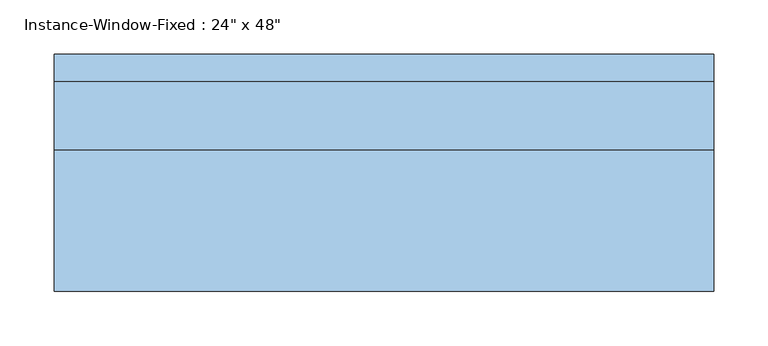
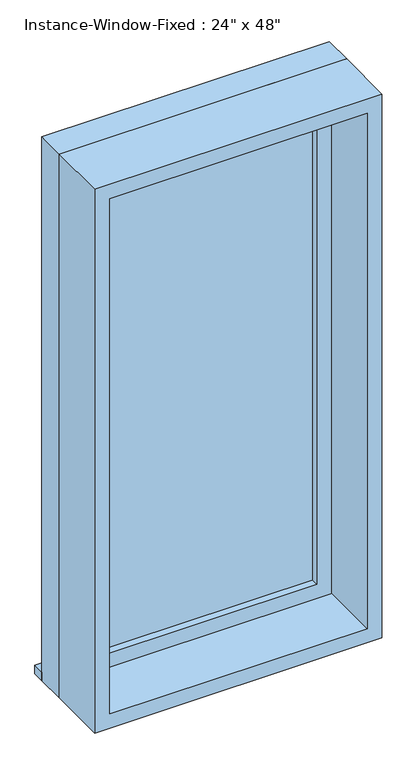
"""IFC4 building model written with IfcOpenShell, lengths in millimetres: window geometry."""

from ifc_helpers import new_model, si_unit, frame, origin, place, context, project, spatial, polyline, outline, extrude, source, transform, mapped, element, save


def window_0bf95448(model_context):
    return source(origin(), model_context, "Body", "SweptSolid", [
        extrude(outline(polyline([(-342.9, 122.2375), (266.7, 122.2375), (266.7, 96.8375), (-342.9, 96.8375), (-342.9, 122.2375)])), frame((0.0, 0.0, 914.4), z_axis=(0.0, 0.0, 1.0), x_axis=(1.0, 0.0, 0.0)), (0.0, 0.0, 1.0), 19.05),
        extrude(outline(polyline([(203.2, 49.2125), (-279.4, 49.2125), (-279.4, 61.9125), (203.2, 61.9125), (203.2, 49.2125)])), frame((0.0, 0.0, 977.9), z_axis=(0.0, 0.0, 1.0), x_axis=(1.0, 0.0, 0.0)), (0.0, 0.0, 1.0), 1092.2),
        extrude(outline(polyline([(2114.55, -323.85), (933.45, -323.85), (933.45, 247.65), (2114.55, 247.65), (2114.55, -323.85)]), holes=[polyline([(2070.1, -279.4), (2070.1, 203.2), (977.9, 203.2), (977.9, -279.4), (2070.1, -279.4)])]), frame((0.0, 33.3375, 0.0), z_axis=(0.0, 1.0, 0.0), x_axis=(0.0, 0.0, 1.0)), (0.0, 0.0, 1.0), 44.45),
        extrude(outline(polyline([(2133.6, -342.9), (914.4, -342.9), (914.4, 266.7), (2133.6, 266.7), (2133.6, -342.9)]), holes=[polyline([(2101.85, -311.15), (2101.85, 234.95), (946.15, 234.95), (946.15, -311.15), (2101.85, -311.15)])]), frame((0.0, -96.8375, 0.0), z_axis=(0.0, 1.0, 0.0), x_axis=(0.0, 0.0, 1.0)), (0.0, 0.0, 1.0), 130.175),
        extrude(outline(polyline([(2133.6, 266.7), (2133.6, -342.9), (914.4, -342.9), (914.4, 266.7), (2133.6, 266.7)]), holes=[polyline([(2114.55, 247.65), (933.45, 247.65), (933.45, -323.85), (2114.55, -323.85), (2114.55, 247.65)])]), frame((0.0, 33.3375, 0.0), z_axis=(0.0, 1.0, 0.0), x_axis=(0.0, 0.0, 1.0)), (0.0, 0.0, 1.0), 63.5),
    ])


if __name__ == "__main__":
    model = new_model("IFC4")
    model_context = context("Model", 3, world=origin())
    ifc_project = project(units=[si_unit("LENGTHUNIT", "METRE", prefix="MILLI")], contexts=[model_context])
    site = spatial("IfcSite", under=ifc_project)
    building = spatial("IfcBuilding", under=site)
    placement = place(None, origin())
    window_shape = window_0bf95448(model_context)
    element("IfcWindow", 1, ObjectType="Instance-Window-Fixed : 24\" x 48\"", at=placement, inside=building, context=model_context, shape_type="MappedRepresentation", body=[
        mapped(window_shape, transform((0.0, 0.0, 0.0), x_axis=(1.0, 0.0, 0.0), y_axis=(0.0, 1.0, 0.0), z_axis=(0.0, 0.0, 1.0))),
    ])
    save(model, "model.ifc")
